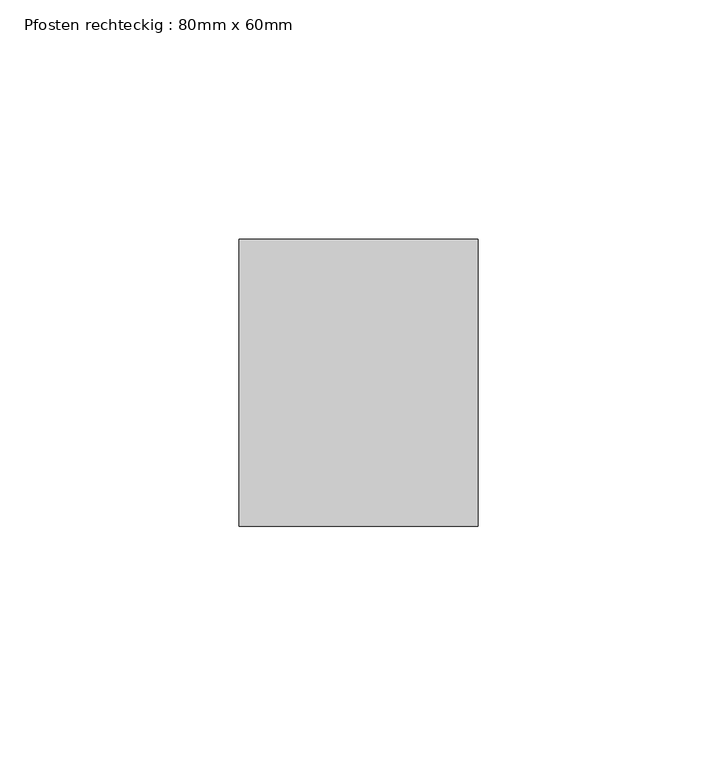
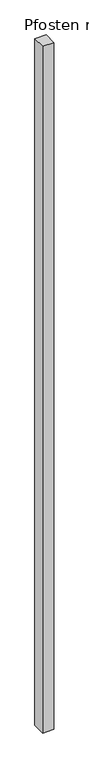
"""IFC4 building model written with IfcOpenShell, lengths in millimetres: member geometry, Pfosten rechteckig : 80mm x 60mm."""

from ifc_helpers import new_model, si_unit, frame, origin, place, context, project, spatial, polyline, outline, extrude, source, transform, mapped, element, save


def pfosten_rechteckig_80mm_x_60mm_3486baa0(model_context):
    return source(origin(), model_context, "Body", "SweptSolid", [
        extrude(outline(polyline([(0.0, 30.0), (0.0, -30.0), (-50.0, -30.0), (-50.0, 30.0), (0.0, 30.0)])), frame((0.0, 0.0, -3225.0), z_axis=(0.0, 0.0, 1.0), x_axis=(1.0, 0.0, 0.0)), (0.0, 0.0, 1.0), 3225.0),
    ])


if __name__ == "__main__":
    model = new_model("IFC4")
    model_context = context("Model", 3, world=origin())
    ifc_project = project(units=[si_unit("LENGTHUNIT", "METRE", prefix="MILLI")], contexts=[model_context])
    site = spatial("IfcSite", under=ifc_project)
    building = spatial("IfcBuilding", under=site)
    placement = place(None, origin())
    pfosten_rechteckig_80mm_x_60mm_shape = pfosten_rechteckig_80mm_x_60mm_3486baa0(model_context)
    element("IfcMember", 1, ObjectType="Pfosten rechteckig : 80mm x 60mm", at=placement, inside=building, context=model_context, shape_type="MappedRepresentation", body=[
        mapped(pfosten_rechteckig_80mm_x_60mm_shape, transform((0.0, 0.0, 0.0), x_axis=(1.0, 0.0, 0.0), y_axis=(0.0, 1.0, 0.0), z_axis=(0.0, 0.0, 1.0))),
    ])
    save(model, "model.ifc")
